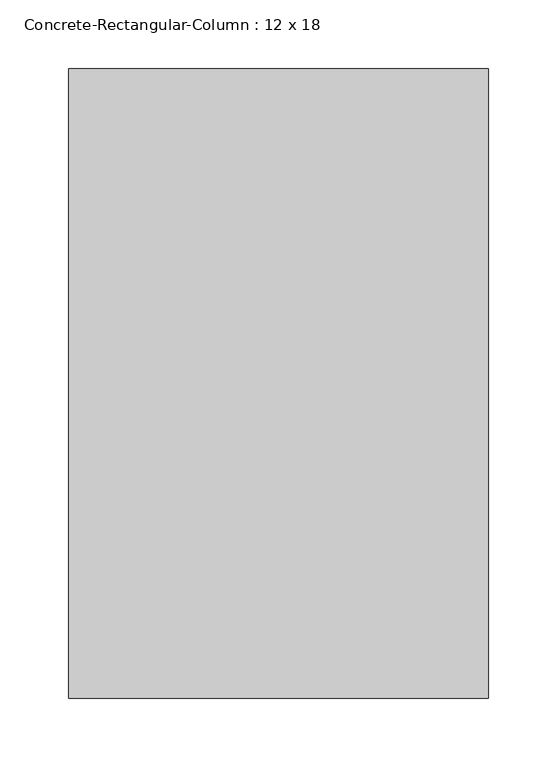
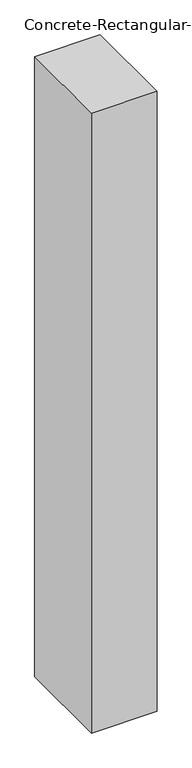
"""IFC4 building model written with IfcOpenShell, lengths in millimetres: column geometry, Concrete-Rectangular-Column : 12 x 18."""

from ifc_helpers import new_model, si_unit, origin, origin_with_axes, place, context, project, spatial, polyline, outline, extrude, source, transform, mapped, element, save


def concrete_rectangular_column_12_x_18_e37d2435(model_context):
    return source(origin(), model_context, "Body", "SweptSolid", [
        extrude(outline(polyline([(152.4, 228.6), (152.4, -228.6), (-152.4, -228.6), (-152.4, 228.6), (152.4, 228.6)])), origin_with_axes(), (0.0, 0.0, 1.0), 3048.0),
    ])


if __name__ == "__main__":
    model = new_model("IFC4")
    model_context = context("Model", 3, world=origin())
    ifc_project = project(units=[si_unit("LENGTHUNIT", "METRE", prefix="MILLI")], contexts=[model_context])
    site = spatial("IfcSite", under=ifc_project)
    building = spatial("IfcBuilding", under=site)
    placement = place(None, origin())
    concrete_rectangular_column_12_x_18_shape = concrete_rectangular_column_12_x_18_e37d2435(model_context)
    element("IfcColumn", 1, ObjectType="Concrete-Rectangular-Column : 12 x 18", at=placement, inside=building, context=model_context, shape_type="MappedRepresentation", body=[
        mapped(concrete_rectangular_column_12_x_18_shape, transform((0.0, 0.0, 0.0), x_axis=(1.0, 0.0, 0.0), y_axis=(0.0, 1.0, 0.0), z_axis=(0.0, 0.0, 1.0))),
    ])
    save(model, "model.ifc")
